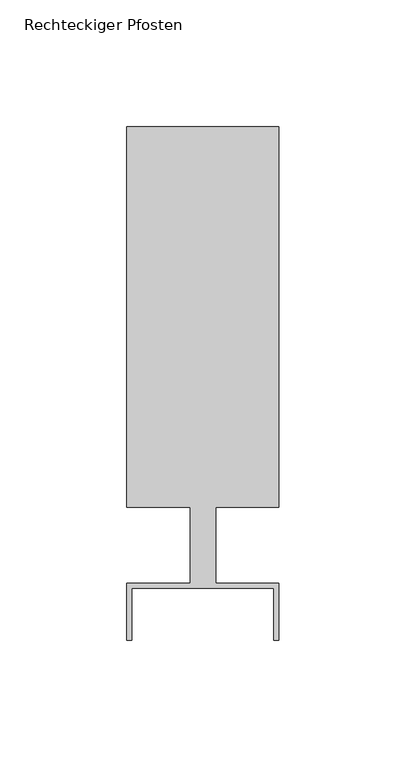
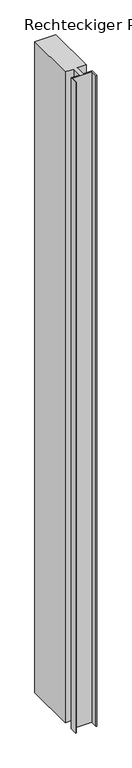
"""IFC4 building model written with IfcOpenShell, lengths in millimetres: member geometry, Rechteckiger Pfosten."""

from ifc_helpers import new_model, si_unit, frame, origin, place, context, project, spatial, polyline, outline, extrude, source, transform, mapped, element, save


def rechteckiger_pfosten_0ea9473b(model_context):
    return source(origin(), model_context, "Body", "SweptSolid", [
        extrude(outline(polyline([(28.0, -37.5), (28.0, -17.0), (-28.0, -17.0), (-28.0, -37.5), (-30.0, -37.5), (-30.0, -15.0), (-5.0, -15.0), (-5.0, 15.0), (-30.0, 15.0), (-30.0, 165.0), (30.0, 165.0), (30.0, 15.0), (5.0, 15.0), (5.0, -15.0), (30.0, -15.0), (30.0, -37.5), (28.0, -37.5)])), frame((0.0, 0.0, -1970.0), z_axis=(0.0, 0.0, 1.0), x_axis=(1.0, 0.0, 0.0)), (0.0, 0.0, 1.0), 1970.0),
    ])


if __name__ == "__main__":
    model = new_model("IFC4")
    model_context = context("Model", 3, world=origin())
    ifc_project = project(units=[si_unit("LENGTHUNIT", "METRE", prefix="MILLI")], contexts=[model_context])
    site = spatial("IfcSite", under=ifc_project)
    building = spatial("IfcBuilding", under=site)
    placement = place(None, origin())
    rechteckiger_pfosten_shape = rechteckiger_pfosten_0ea9473b(model_context)
    element("IfcMember", 1, ObjectType="Rechteckiger Pfosten", at=placement, inside=building, context=model_context, shape_type="MappedRepresentation", body=[
        mapped(rechteckiger_pfosten_shape, transform((0.0, 0.0, 0.0), x_axis=(1.0, 0.0, 0.0), y_axis=(0.0, 1.0, 0.0), z_axis=(0.0, 0.0, 1.0))),
    ])
    save(model, "model.ifc")
